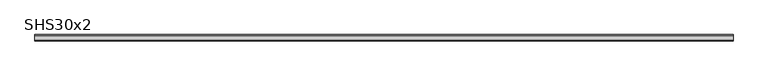
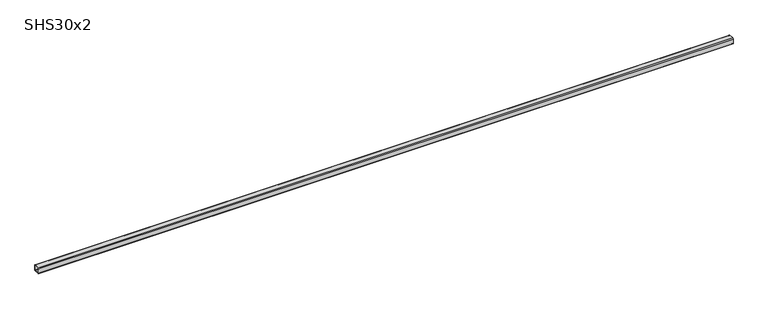
"""IFC4 building model written with IfcOpenShell, lengths in millimetres: beam geometry, SHS30x2."""

from ifc_helpers import new_model, si_unit, point, frame, frame_2d, origin, place, context, project, spatial, polyline, circle_curve, trimmed, segment, composite_curve, outline, extrude, source, transform, mapped, element, save


def shs30x2_3a42d391(model_context):
    return source(origin(), model_context, "Body", "SweptSolid", [
        extrude(outline(composite_curve([segment(polyline([(15.0, 11.0), (15.0, -11.0)]), True, "CONTINUOUS"), segment(trimmed(circle_curve(frame_2d((11.0, -11.0)), 4.0), [point((15.0, -11.0))], [point((11.0, -15.0))], False, "CARTESIAN"), True, "CONTINUOUS"), segment(polyline([(11.0, -15.0), (-11.0, -15.0)]), True, "CONTINUOUS"), segment(trimmed(circle_curve(frame_2d((-11.0, -11.0)), 4.0), [point((-11.0, -15.0))], [point((-15.0, -11.0))], False, "CARTESIAN"), True, "CONTINUOUS"), segment(polyline([(-15.0, -11.0), (-15.0, 11.0)]), True, "CONTINUOUS"), segment(trimmed(circle_curve(frame_2d((-11.0, 11.0)), 4.0), [point((-15.0, 11.0))], [point((-11.0, 15.0))], False, "CARTESIAN"), True, "CONTINUOUS"), segment(polyline([(-11.0, 15.0), (11.0, 15.0)]), True, "CONTINUOUS"), segment(trimmed(circle_curve(frame_2d((11.0, 11.0)), 4.0), [point((11.0, 15.0))], [point((15.0, 11.0))], False, "CARTESIAN"), True, "CONTINUOUS")], self_intersect=False), holes=[composite_curve([segment(trimmed(circle_curve(frame_2d((-11.0, 11.0)), 2.0), [point((-11.0, 13.0))], [point((-13.0, 11.0))], True, "CARTESIAN"), True, "CONTINUOUS"), segment(polyline([(-13.0, 11.0), (-13.0, -11.0)]), True, "CONTINUOUS"), segment(trimmed(circle_curve(frame_2d((-11.0, -11.0)), 2.0), [point((-13.0, -11.0))], [point((-11.0, -13.0))], True, "CARTESIAN"), True, "CONTINUOUS"), segment(polyline([(-11.0, -13.0), (11.0, -13.0)]), True, "CONTINUOUS"), segment(trimmed(circle_curve(frame_2d((11.0, -11.0)), 2.0), [point((11.0, -13.0))], [point((13.0, -11.0))], True, "CARTESIAN"), True, "CONTINUOUS"), segment(polyline([(13.0, -11.0), (13.0, 11.0)]), True, "CONTINUOUS"), segment(trimmed(circle_curve(frame_2d((11.0, 11.0)), 2.0), [point((13.0, 11.0))], [point((11.0, 13.0))], True, "CARTESIAN"), True, "CONTINUOUS"), segment(polyline([(11.0, 13.0), (-11.0, 13.0)]), True, "CONTINUOUS")], self_intersect=False)]), frame((-1691.5, 0.0, 0.0), z_axis=(1.0, 0.0, 0.0), x_axis=(0.0, 1.0, 0.0)), (0.0, 0.0, 1.0), 3362.0),
    ])


if __name__ == "__main__":
    model = new_model("IFC4")
    model_context = context("Model", 3, world=origin())
    ifc_project = project(units=[si_unit("LENGTHUNIT", "METRE", prefix="MILLI")], contexts=[model_context])
    site = spatial("IfcSite", under=ifc_project)
    building = spatial("IfcBuilding", under=site)
    placement = place(None, origin())
    shs30x2_shape = shs30x2_3a42d391(model_context)
    element("IfcBeam", 1, ObjectType="SHS30x2", at=placement, inside=building, context=model_context, shape_type="MappedRepresentation", body=[
        mapped(shs30x2_shape, transform((0.0, 0.0, 0.0), x_axis=(1.0, 0.0, 0.0), y_axis=(0.0, 1.0, 0.0), z_axis=(0.0, 0.0, 1.0))),
    ])
    save(model, "model.ifc")
